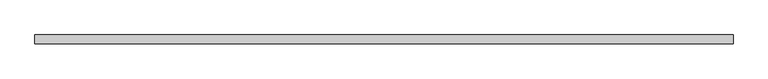
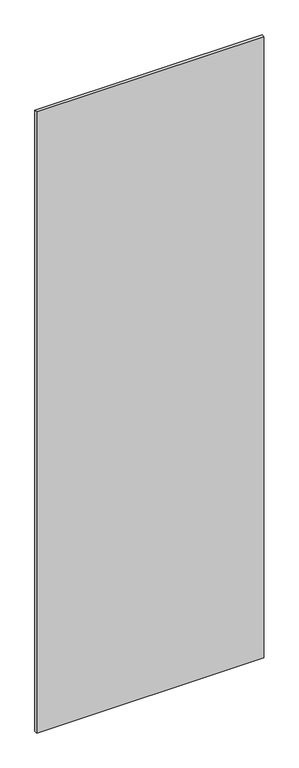
"""IFC4 building model written with IfcOpenShell, lengths in millimetres: plate geometry."""

from ifc_helpers import new_model, si_unit, origin, origin_with_axes, place, context, project, spatial, polyline, outline, extrude, source, transform, mapped, element, save


def plate_611fa862(model_context):
    return source(origin(), model_context, "Body", "SweptSolid", [
        extrude(outline(polyline([(512.7625, -26.9875), (-512.7625, -26.9875), (-512.7625, -14.2875), (512.7625, -14.2875), (512.7625, -26.9875)])), origin_with_axes(), (0.0, 0.0, 1.0), 2965.45),
    ])


if __name__ == "__main__":
    model = new_model("IFC4")
    model_context = context("Model", 3, world=origin())
    ifc_project = project(units=[si_unit("LENGTHUNIT", "METRE", prefix="MILLI")], contexts=[model_context])
    site = spatial("IfcSite", under=ifc_project)
    building = spatial("IfcBuilding", under=site)
    placement = place(None, origin())
    plate_shape = plate_611fa862(model_context)
    element("IfcPlate", 1, at=placement, inside=building, context=model_context, shape_type="MappedRepresentation", body=[
        mapped(plate_shape, transform((0.0, 0.0, 0.0), x_axis=(1.0, 0.0, 0.0), y_axis=(0.0, 1.0, 0.0), z_axis=(0.0, 0.0, 1.0))),
    ])
    save(model, "model.ifc")
